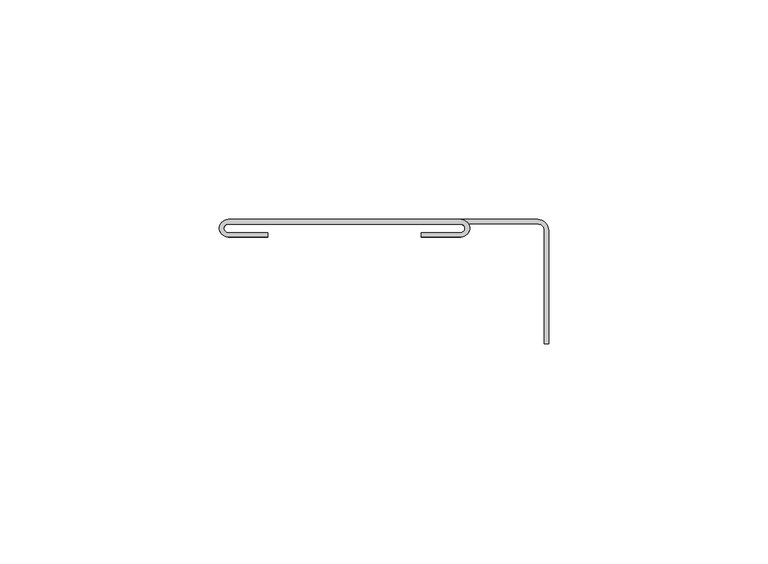
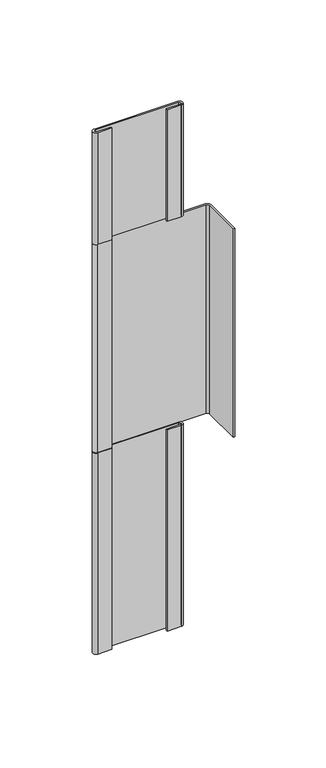
"""IFC4 building model written with IfcOpenShell, lengths in millimetres: proxy geometry."""

from ifc_helpers import new_model, si_unit, point, frame, frame_2d, origin, place, context, project, spatial, polyline, circle_curve, trimmed, segment, composite_curve, outline, extrude, source, transform, mapped, element, save


def generic_models_597acb69(model_context):
    return source(origin(), model_context, "Body", "SweptSolid", [
        extrude(outline(composite_curve([segment(polyline([(-17.049707, -2.0), (-17.049707, -3.0), (-26.049707, -3.0)]), True, "CONTINUOUS"), segment(trimmed(circle_curve(frame_2d((-26.049707, -1.0)), 2.0), [point((-26.049707, -3.0))], [point((-26.049707, 1.0))], False, "CARTESIAN"), True, "CONTINUOUS"), segment(polyline([(-26.049707, 1.0), (26.950293, 1.0)]), True, "CONTINUOUS"), segment(trimmed(circle_curve(frame_2d((26.950293, -1.0)), 2.0), [point((26.950293, 1.0))], [point((26.950293, -3.0))], False, "CARTESIAN"), True, "CONTINUOUS"), segment(polyline([(26.950293, -3.0), (17.950293, -3.0), (17.950293, -2.0448895), (26.8544075, -2.0448895)]), True, "CONTINUOUS"), segment(trimmed(circle_curve(frame_2d((26.8544075, -1.0448895)), 1.0), [point((26.8544075, -2.0448895))], [point((26.8544075, -0.0448895))], True, "CARTESIAN"), True, "CONTINUOUS"), segment(polyline([(26.8544075, -0.0448895), (-26.049707, -0.0448895)]), True, "CONTINUOUS"), segment(trimmed(circle_curve(frame_2d((-26.049707, -1.0224448)), 0.9775552), [point((-26.049707, -0.0448895))], [point((-26.049707, -2.0))], True, "CARTESIAN"), True, "CONTINUOUS"), segment(polyline([(-26.049707, -2.0), (-17.049707, -2.0)]), True, "CONTINUOUS")], self_intersect=False)), frame((0.0, 0.0, 225.0), z_axis=(0.0, 0.0, 1.0), x_axis=(1.0, 0.0, 0.0)), (0.0, 0.0, 1.0), 75.0),
        extrude(outline(composite_curve([segment(polyline([(-17.049707, -2.0), (-17.049707, -3.0), (-26.049707, -3.0)]), True, "CONTINUOUS"), segment(trimmed(circle_curve(frame_2d((-26.049707, -1.0)), 2.0), [point((-26.049707, -3.0))], [point((-26.049707, 1.0))], False, "CARTESIAN"), True, "CONTINUOUS"), segment(polyline([(-26.049707, 1.0), (26.950293, 1.0)]), True, "CONTINUOUS"), segment(trimmed(circle_curve(frame_2d((26.950293, -1.0)), 2.0), [point((26.950293, 1.0))], [point((26.950293, -3.0))], False, "CARTESIAN"), True, "CONTINUOUS"), segment(polyline([(26.950293, -3.0), (17.950293, -3.0), (17.950293, -2.0448895), (26.8544075, -2.0448895)]), True, "CONTINUOUS"), segment(trimmed(circle_curve(frame_2d((26.8544075, -1.0448895)), 1.0), [point((26.8544075, -2.0448895))], [point((26.8544075, -0.0448895))], True, "CARTESIAN"), True, "CONTINUOUS"), segment(polyline([(26.8544075, -0.0448895), (-26.049707, -0.0448895)]), True, "CONTINUOUS"), segment(trimmed(circle_curve(frame_2d((-26.049707, -1.0224448)), 0.9775552), [point((-26.049707, -0.0448895))], [point((-26.049707, -2.0))], True, "CARTESIAN"), True, "CONTINUOUS"), segment(polyline([(-26.049707, -2.0), (-17.049707, -2.0)]), True, "CONTINUOUS")], self_intersect=False)), frame((0.0, 0.0, -50.0), z_axis=(0.0, 0.0, 1.0), x_axis=(1.0, 0.0, 0.0)), (0.0, 0.0, 1.0), 135.0),
        extrude(outline(composite_curve([segment(polyline([(-26.049707, -2.0), (-17.049707, -2.0), (-17.049707, -3.0), (-26.049707, -3.0)]), True, "CONTINUOUS"), segment(trimmed(circle_curve(frame_2d((-26.049707, -1.0)), 2.0), [point((-26.049707, -3.0))], [point((-26.049707, 1.0))], False, "CARTESIAN"), True, "CONTINUOUS"), segment(polyline([(-26.049707, 1.0), (44.450293, 1.0)]), True, "CONTINUOUS"), segment(trimmed(circle_curve(frame_2d((44.450293, -1.5)), 2.5), [point((44.450293, 1.0))], [point((46.950293, -1.5))], False, "CARTESIAN"), True, "CONTINUOUS"), segment(polyline([(46.950293, -1.5), (46.950293, -27.3459897), (45.950293, -27.3459897), (45.950293, -1.5)]), True, "CONTINUOUS"), segment(trimmed(circle_curve(frame_2d((44.450293, -1.5)), 1.5), [point((45.950293, -1.5))], [point((44.450293, 0.0))], True, "CARTESIAN"), True, "CONTINUOUS"), segment(polyline([(44.450293, 0.0), (-26.049707, 0.0)]), True, "CONTINUOUS"), segment(trimmed(circle_curve(frame_2d((-26.049707, -1.0)), 1.0), [point((-26.049707, 0.0))], [point((-26.049707, -2.0))], True, "CARTESIAN"), True, "CONTINUOUS")], self_intersect=False)), frame((0.0, 0.0, 85.0), z_axis=(0.0, 0.0, 1.0), x_axis=(1.0, 0.0, 0.0)), (0.0, 0.0, 1.0), 140.0),
    ])


if __name__ == "__main__":
    model = new_model("IFC4")
    model_context = context("Model", 3, world=origin())
    ifc_project = project(units=[si_unit("LENGTHUNIT", "METRE", prefix="MILLI")], contexts=[model_context])
    site = spatial("IfcSite", under=ifc_project)
    building = spatial("IfcBuilding", under=site)
    placement = place(None, origin())
    generic_models_shape = generic_models_597acb69(model_context)
    element("IfcBuildingElementProxy", 1, Name="Generic Models", at=placement, inside=building, context=model_context, shape_type="MappedRepresentation", body=[
        mapped(generic_models_shape, transform((0.0, 0.0, 0.0), x_axis=(1.0, 0.0, 0.0), y_axis=(0.0, 1.0, 0.0), z_axis=(0.0, 0.0, 1.0))),
    ])
    save(model, "model.ifc")
